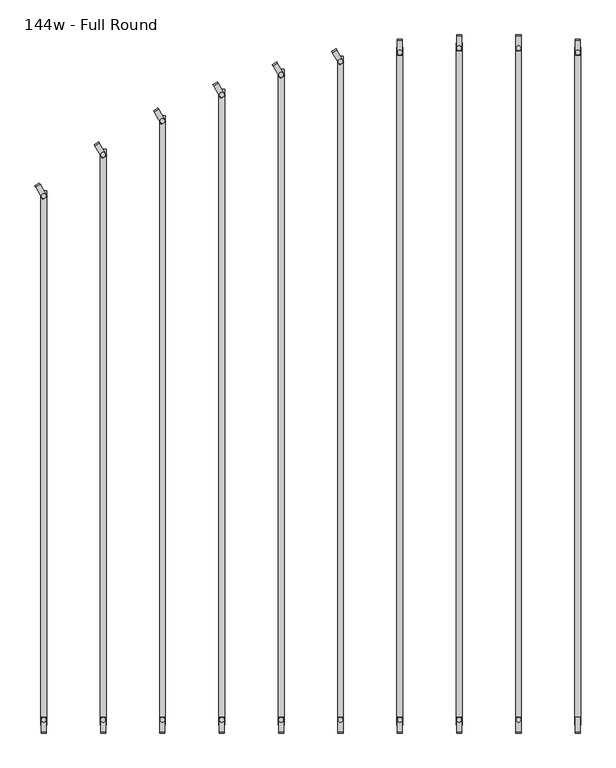
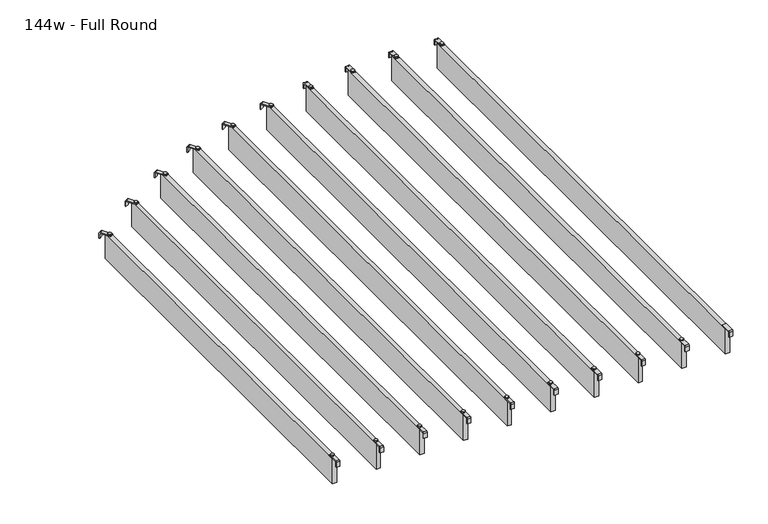
"""IFC4 building model written with IfcOpenShell, lengths in millimetres: furniture geometry, 144w - Full Round."""

import ifcopenshell
import ifcopenshell.guid

model = None  # the IFC model being written
_history = None  # IfcOwnerHistory: only IFC2X3 demands one
_inside = {}  # id of a spatial element -> (the spatial element, [elements in it])
_under = {}  # id of a project, library or spatial element -> (it, [spatial elements below it])
_declared = {}  # id of a project -> (the project, [libraries it declares])
_typed = {}  # id of a type object -> (the type object, [elements of that type])
_made_of = {}  # id of a material, layer set ... -> (it, [elements and type objects made of it])


def new_model(schema):
    """Start an empty IFC model of exactly this schema.

    Asked for "IFC4X3", IfcOpenShell would pick the latest addendum, in which some entities
    have other attributes; the version numbers below select the first issue.
    IFC2X3 requires an IfcOwnerHistory on every rooted entity: one is made here for all.
    """
    global model, _history
    if schema == "IFC4X3":
        model = ifcopenshell.file(schema_version=(4, 3, 0, 0))
    else:
        model = ifcopenshell.file(schema=schema)
    _inside.clear()
    _under.clear()
    _declared.clear()
    _typed.clear()
    _made_of.clear()
    _history = None
    if model.schema == "IFC2X3":
        org = make("IfcOrganization", Name="unknown")
        user = make(
            "IfcPersonAndOrganization",
            ThePerson=make("IfcPerson", FamilyName="unknown"),
            TheOrganization=org,
        )
        app = make(
            "IfcApplication",
            ApplicationDeveloper=org,
            Version="unknown",
            ApplicationFullName="unknown",
            ApplicationIdentifier="unknown",
        )
        _history = make(
            "IfcOwnerHistory",
            OwningUser=user,
            OwningApplication=app,
            ChangeAction="ADDED",
            CreationDate=0,
        )
    return model


def make(cls, **values):
    """One entity of the class cls with the attributes given. An attribute that is None is left unset."""
    return model.create_entity(
        cls, **{name: value for name, value in values.items() if value is not None}
    )


def rooted(cls, **values):
    """An entity with a GlobalId (a new one), such as an element, a storey or a relation."""
    return make(cls, GlobalId=ifcopenshell.guid.new(), OwnerHistory=_history, **values)


def si_unit(unit_type, name, prefix=None):
    """IfcSIUnit, for example si_unit("LENGTHUNIT", "METRE", prefix="MILLI")."""
    return make("IfcSIUnit", UnitType=unit_type, Prefix=prefix, Name=name)


def assignment(units):
    """IfcUnitAssignment: the units of a project."""
    return None if units is None else make("IfcUnitAssignment", Units=units)


def point(xyz):
    """IfcCartesianPoint."""
    return None if xyz is None else make("IfcCartesianPoint", Coordinates=xyz)


def direction(xyz):
    """IfcDirection."""
    return None if xyz is None else make("IfcDirection", DirectionRatios=xyz)


def frame(location, z_axis=None, x_axis=None):
    """IfcAxis2Placement3D, a coordinate frame: its origin and axes. An axis left out is left unset."""
    return make(
        "IfcAxis2Placement3D",
        Location=point(location),
        Axis=direction(z_axis),
        RefDirection=direction(x_axis),
    )


def frame_2d(location, x_axis=None):
    """IfcAxis2Placement2D, a coordinate frame in the plane: its origin and x axis."""
    return make(
        "IfcAxis2Placement2D", Location=point(location), RefDirection=direction(x_axis)
    )


def origin():
    """The frame at (0, 0, 0) with its axes left unset."""
    return frame((0.0, 0.0, 0.0))


def place(relative_to, where):
    """IfcLocalPlacement: puts the frame where relative to a parent placement (None: the world)."""
    return make(
        "IfcLocalPlacement", PlacementRelTo=relative_to, RelativePlacement=where
    )


def context(
    kind, dimensions, precision=None, world=None, true_north=None, identifier=None
):
    """IfcGeometricRepresentationContext, for example the 3D "Model" context."""
    return make(
        "IfcGeometricRepresentationContext",
        ContextIdentifier=identifier,
        ContextType=kind,
        CoordinateSpaceDimension=dimensions,
        Precision=precision,
        WorldCoordinateSystem=world,
        TrueNorth=true_north,
    )


def project(units=None, contexts=None):
    """IfcProject with its units and contexts."""
    return rooted(
        "IfcProject",
        Name="project",
        RepresentationContexts=contexts,
        UnitsInContext=assignment(units),
    )


def spatial(cls, under=None, at=None, **own):
    """A site, building, storey or space (cls), placed at a placement, below another one or the project."""
    s = rooted(cls, ObjectPlacement=at, **own)
    if under is not None:
        _under.setdefault(under.id(), (under, []))[1].append(s)
    return s


def polyline(points):
    """IfcPolyline through the points."""
    return make("IfcPolyline", Points=[point(p) for p in points])


def circle_curve(where, radius):
    """IfcCircle in the frame where."""
    return make("IfcCircle", Position=where, Radius=radius)


def trimmed(basis, trim1, trim2, sense, master):
    """IfcTrimmedCurve: the piece of a basis curve between two trims."""
    return make(
        "IfcTrimmedCurve",
        BasisCurve=basis,
        Trim1=trim1,
        Trim2=trim2,
        SenseAgreement=sense,
        MasterRepresentation=master,
    )


def segment(curve, same_sense, transition):
    """IfcCompositeCurveSegment."""
    return make(
        "IfcCompositeCurveSegment",
        Transition=transition,
        SameSense=same_sense,
        ParentCurve=curve,
    )


def composite_curve(segments, self_intersect=None):
    """IfcCompositeCurve: segments joined end to end."""
    return make("IfcCompositeCurve", Segments=segments, SelfIntersect=self_intersect)


def outline(outer, holes=None, kind="AREA"):
    """IfcArbitraryClosedProfileDef: a profile drawn as a closed curve; with holes, ...WithVoids."""
    if holes is None:
        return make("IfcArbitraryClosedProfileDef", ProfileType=kind, OuterCurve=outer)
    return make(
        "IfcArbitraryProfileDefWithVoids",
        ProfileType=kind,
        OuterCurve=outer,
        InnerCurves=holes,
    )


def extrude(swept, where, along, depth):
    """IfcExtrudedAreaSolid: the profile swept, set in the frame where, extruded along a direction by depth."""
    return make(
        "IfcExtrudedAreaSolid",
        SweptArea=swept,
        Position=where,
        ExtrudedDirection=direction(along),
        Depth=depth,
    )


def shape(context_of_items, identifier, shape_type, items):
    """IfcShapeRepresentation: the items that make up one representation, for example the "Body"."""
    return make(
        "IfcShapeRepresentation",
        ContextOfItems=context_of_items,
        RepresentationIdentifier=identifier,
        RepresentationType=shape_type,
        Items=items,
    )


def source(mapping_origin, context_of_items, identifier, shape_type, items):
    """IfcRepresentationMap: a shape defined once, which mapped items show again and again."""
    return make(
        "IfcRepresentationMap",
        MappingOrigin=mapping_origin,
        MappedRepresentation=shape(context_of_items, identifier, shape_type, items),
    )


def transform(
    local_origin,
    x_axis=None,
    y_axis=None,
    z_axis=None,
    scale=None,
    scale2=None,
    scale3=None,
    uniform=True,
):
    """IfcCartesianTransformationOperator3D, or its non-uniform kind. x_axis, y_axis, z_axis: its Axis1, 2, 3."""
    if uniform:
        return make(
            "IfcCartesianTransformationOperator3D",
            Axis1=direction(x_axis),
            Axis2=direction(y_axis),
            LocalOrigin=point(local_origin),
            Scale=scale,
            Axis3=direction(z_axis),
        )
    return make(
        "IfcCartesianTransformationOperator3DnonUniform",
        Axis1=direction(x_axis),
        Axis2=direction(y_axis),
        LocalOrigin=point(local_origin),
        Scale=scale,
        Axis3=direction(z_axis),
        Scale2=scale2,
        Scale3=scale3,
    )


def mapped(mapping_source, mapping_target):
    """IfcMappedItem: shows the shape of a source again, moved by a transform."""
    return make(
        "IfcMappedItem", MappingSource=mapping_source, MappingTarget=mapping_target
    )


def made_of(thing, what):
    """Note that an element or type object is made of a material, layer set ...; save() writes the relation."""
    if what is not None:
        _made_of.setdefault(what.id(), (what, []))[1].append(thing)
    return thing


def element(
    cls,
    number,
    at=None,
    inside=None,
    cuts=None,
    type_object=None,
    material=None,
    context=None,
    identifier="Body",
    shape_type=None,
    held_by="IfcProductDefinitionShape",
    body=None,
    shapes=None,
    **own,
):
    """One element of the class cls, such as IfcWall. Its Tag is "e" and its number.

    at: its placement. inside: the storey or other place that contains it. cuts: it is an
    opening in that element (IfcRelVoidsElement). A single representation is given by context,
    identifier, shape_type and body (its items); several are given by shapes. held_by: the class
    of the entity that holds the representations. save() writes the other relations.
    """
    e = rooted(cls, Tag="e%d" % number, ObjectPlacement=at, **own)
    if body is not None:
        shapes = [shape(context, identifier, shape_type, body)]
    if shapes is not None:
        e.Representation = make(held_by, Representations=shapes)
    if inside is not None:
        _inside.setdefault(inside.id(), (inside, []))[1].append(e)
    if cuts is not None:
        rooted(
            "IfcRelVoidsElement", RelatingBuildingElement=cuts, RelatedOpeningElement=e
        )
    if type_object is not None:
        _typed.setdefault(type_object.id(), (type_object, []))[1].append(e)
    return made_of(e, material)


def aggregate(whole, parts):
    """IfcRelAggregates: a whole, such as a stair, and the parts it consists of."""
    return rooted("IfcRelAggregates", RelatingObject=whole, RelatedObjects=parts)


def save(model, path):
    """Write the relations noted so far, then the file.

    IfcRelAggregates (storeys below a building ...), IfcRelContainedInSpatialStructure (elements
    in a storey), IfcRelDefinesByType, IfcRelAssociatesMaterial and IfcRelDeclares: one each for
    every whole, place, type object, material and project.
    """
    for whole, parts in _under.values():
        aggregate(whole, parts)
    for where, things in _inside.values():
        rooted(
            "IfcRelContainedInSpatialStructure",
            RelatedElements=things,
            RelatingStructure=where,
        )
    for kind, things in _typed.values():
        rooted("IfcRelDefinesByType", RelatedObjects=things, RelatingType=kind)
    for what, things in _made_of.values():
        rooted("IfcRelAssociatesMaterial", RelatedObjects=things, RelatingMaterial=what)
    for by, libraries in _declared.values():
        rooted("IfcRelDeclares", RelatingContext=by, RelatedDefinitions=libraries)
    model.write(path)


def furniture_144w_full_round_390d80ab(model_context):
    return source(origin(), model_context, "Body", "SweptSolid", [
        extrude(outline(composite_curve([segment(trimmed(circle_curve(frame_2d((266.7, -505.3424)), 5.9838099), [point((266.7, -511.3262099))], [point((266.7, -499.3585901))], False, "CARTESIAN"), True, "CONTINUOUS"), segment(trimmed(circle_curve(frame_2d((266.7, -505.3424)), 5.9838099), [point((266.7, -499.3585901))], [point((266.7, -511.3262099))], False, "CARTESIAN"), True, "CONTINUOUS")], self_intersect=False)), frame((0.0, 0.0, 2440.9329992), z_axis=(0.0, 0.0, 1.0), x_axis=(1.0, 0.0, 0.0)), (0.0, 0.0, 1.0), 3.4400008),
        extrude(outline(composite_curve([segment(polyline([(-2253.0946, 2419.2231711), (-2253.0946, 2437.2499992)]), True, "CONTINUOUS"), segment(trimmed(circle_curve(frame_2d((-2249.4116, 2437.2499992)), 3.683), [point((-2253.0946, 2437.2499992))], [point((-2249.4116, 2440.9329992))], False, "CARTESIAN"), True, "CONTINUOUS"), segment(polyline([(-2249.4116, 2440.9329992), (-2212.4346, 2440.9329992), (-2212.4346, 2438.2729997), (-2249.4251568, 2438.2729997)]), True, "CONTINUOUS"), segment(trimmed(circle_curve(frame_2d((-2249.4251568, 2437.2635571)), 1.0094425), [point((-2249.4251568, 2438.2729997))], [point((-2250.4345993, 2437.2635571))], True, "CARTESIAN"), True, "CONTINUOUS"), segment(polyline([(-2250.4345993, 2437.2635571), (-2250.4345993, 2419.2231711), (-2253.0946, 2419.2231711)]), True, "CONTINUOUS")], self_intersect=False)), frame((260.2069997, 0.0, 0.0), z_axis=(1.0, 0.0, 0.0), x_axis=(0.0, 1.0, 0.0)), (0.0, 0.0, 1.0), 13.0),
        extrude(outline(composite_curve([segment(polyline([(-471.1824, 2419.2231711), (-473.8424007, 2419.2231711), (-473.8424007, 2437.2635571)]), True, "CONTINUOUS"), segment(trimmed(circle_curve(frame_2d((-474.8518432, 2437.2635571)), 1.0094425), [point((-473.8424007, 2437.2635571))], [point((-474.8518432, 2438.2729997))], True, "CARTESIAN"), True, "CONTINUOUS"), segment(polyline([(-474.8518432, 2438.2729997), (-511.8424, 2438.2729997), (-511.8424, 2440.9329992), (-474.8654, 2440.9329992)]), True, "CONTINUOUS"), segment(trimmed(circle_curve(frame_2d((-474.8654, 2437.2499992)), 3.683), [point((-474.8654, 2440.9329992))], [point((-471.1824, 2437.2499992))], False, "CARTESIAN"), True, "CONTINUOUS"), segment(polyline([(-471.1824, 2437.2499992), (-471.1824, 2419.2231711)]), True, "CONTINUOUS")], self_intersect=False)), frame((260.2069997, 0.0, 0.0), z_axis=(1.0, 0.0, 0.0), x_axis=(0.0, 1.0, 0.0)), (0.0, 0.0, 1.0), 13.0),
        extrude(outline(polyline([(259.207, -491.6424), (274.193, -491.6424), (274.193, -2232.6346), (259.207, -2232.6346), (259.207, -491.6424)])), frame((0.0, 0.0, 2346.198), z_axis=(0.0, 0.0, 1.0), x_axis=(1.0, 0.0, 0.0)), (0.0, 0.0, 1.0), 92.202),
        extrude(outline(composite_curve([segment(trimmed(circle_curve(frame_2d((114.3, -2218.9346)), 5.9838099), [point((114.3, -2212.9507901))], [point((114.3, -2224.9184099))], False, "CARTESIAN"), True, "CONTINUOUS"), segment(trimmed(circle_curve(frame_2d((114.3, -2218.9346)), 5.9838099), [point((114.3, -2224.9184099))], [point((114.3, -2212.9507901))], False, "CARTESIAN"), True, "CONTINUOUS")], self_intersect=False)), frame((0.0, 0.0, 2440.9329992), z_axis=(0.0, 0.0, 1.0), x_axis=(1.0, 0.0, 0.0)), (0.0, 0.0, 1.0), 3.4400008),
        extrude(outline(composite_curve([segment(trimmed(circle_curve(frame_2d((114.3, -494.3442)), 5.9838099), [point((114.3, -500.3280099))], [point((114.3, -488.3603901))], False, "CARTESIAN"), True, "CONTINUOUS"), segment(trimmed(circle_curve(frame_2d((114.3, -494.3442)), 5.9838099), [point((114.3, -488.3603901))], [point((114.3, -500.3280099))], False, "CARTESIAN"), True, "CONTINUOUS")], self_intersect=False)), frame((0.0, 0.0, 2440.9329992), z_axis=(0.0, 0.0, 1.0), x_axis=(1.0, 0.0, 0.0)), (0.0, 0.0, 1.0), 3.4400008),
        extrude(outline(composite_curve([segment(polyline([(-2253.0946, 2419.2231711), (-2253.0946, 2437.2499992)]), True, "CONTINUOUS"), segment(trimmed(circle_curve(frame_2d((-2249.4116, 2437.2499992)), 3.683), [point((-2253.0946, 2437.2499992))], [point((-2249.4116, 2440.9329992))], False, "CARTESIAN"), True, "CONTINUOUS"), segment(polyline([(-2249.4116, 2440.9329992), (-2212.4346, 2440.9329992), (-2212.4346, 2438.2729997), (-2249.4251568, 2438.2729997)]), True, "CONTINUOUS"), segment(trimmed(circle_curve(frame_2d((-2249.4251568, 2437.2635571)), 1.0094425), [point((-2249.4251568, 2438.2729997))], [point((-2250.4345993, 2437.2635571))], True, "CARTESIAN"), True, "CONTINUOUS"), segment(polyline([(-2250.4345993, 2437.2635571), (-2250.4345993, 2419.2231711), (-2253.0946, 2419.2231711)]), True, "CONTINUOUS")], self_intersect=False)), frame((107.8069997, 0.0, 0.0), z_axis=(1.0, 0.0, 0.0), x_axis=(0.0, 1.0, 0.0)), (0.0, 0.0, 1.0), 13.0),
        extrude(outline(composite_curve([segment(polyline([(-460.1842, 2419.2231711), (-462.8442007, 2419.2231711), (-462.8442007, 2437.2635571)]), True, "CONTINUOUS"), segment(trimmed(circle_curve(frame_2d((-463.8536432, 2437.2635571)), 1.0094425), [point((-462.8442007, 2437.2635571))], [point((-463.8536432, 2438.2729997))], True, "CARTESIAN"), True, "CONTINUOUS"), segment(polyline([(-463.8536432, 2438.2729997), (-500.8442, 2438.2729997), (-500.8442, 2440.9329992), (-463.8672, 2440.9329992)]), True, "CONTINUOUS"), segment(trimmed(circle_curve(frame_2d((-463.8672, 2437.2499992)), 3.683), [point((-463.8672, 2440.9329992))], [point((-460.1842, 2437.2499992))], False, "CARTESIAN"), True, "CONTINUOUS"), segment(polyline([(-460.1842, 2437.2499992), (-460.1842, 2419.2231711)]), True, "CONTINUOUS")], self_intersect=False)), frame((107.8069997, 0.0, 0.0), z_axis=(1.0, 0.0, 0.0), x_axis=(0.0, 1.0, 0.0)), (0.0, 0.0, 1.0), 13.0),
        extrude(outline(polyline([(106.807, -480.6442), (121.793, -480.6442), (121.793, -2232.6346), (106.807, -2232.6346), (106.807, -480.6442)])), frame((0.0, 0.0, 2346.198), z_axis=(0.0, 0.0, 1.0), x_axis=(1.0, 0.0, 0.0)), (0.0, 0.0, 1.0), 92.202),
        extrude(outline(composite_curve([segment(trimmed(circle_curve(frame_2d((-38.1, -2218.9346)), 5.9838099), [point((-38.1, -2212.9507901))], [point((-38.1, -2224.9184099))], False, "CARTESIAN"), True, "CONTINUOUS"), segment(trimmed(circle_curve(frame_2d((-38.1, -2218.9346)), 5.9838099), [point((-38.1, -2224.9184099))], [point((-38.1, -2212.9507901))], False, "CARTESIAN"), True, "CONTINUOUS")], self_intersect=False)), frame((0.0, 0.0, 2440.9329992), z_axis=(0.0, 0.0, 1.0), x_axis=(1.0, 0.0, 0.0)), (0.0, 0.0, 1.0), 3.4400008),
        extrude(outline(composite_curve([segment(trimmed(circle_curve(frame_2d((-38.1, -494.3442)), 5.9838099), [point((-38.1, -500.3280099))], [point((-38.1, -488.3603901))], False, "CARTESIAN"), True, "CONTINUOUS"), segment(trimmed(circle_curve(frame_2d((-38.1, -494.3442)), 5.9838099), [point((-38.1, -488.3603901))], [point((-38.1, -500.3280099))], False, "CARTESIAN"), True, "CONTINUOUS")], self_intersect=False)), frame((0.0, 0.0, 2440.9329992), z_axis=(0.0, 0.0, 1.0), x_axis=(1.0, 0.0, 0.0)), (0.0, 0.0, 1.0), 3.4400008),
        extrude(outline(composite_curve([segment(polyline([(-2253.0946, 2419.2231711), (-2253.0946, 2437.2499992)]), True, "CONTINUOUS"), segment(trimmed(circle_curve(frame_2d((-2249.4116, 2437.2499992)), 3.683), [point((-2253.0946, 2437.2499992))], [point((-2249.4116, 2440.9329992))], False, "CARTESIAN"), True, "CONTINUOUS"), segment(polyline([(-2249.4116, 2440.9329992), (-2212.4346, 2440.9329992), (-2212.4346, 2438.2729997), (-2249.4251568, 2438.2729997)]), True, "CONTINUOUS"), segment(trimmed(circle_curve(frame_2d((-2249.4251568, 2437.2635571)), 1.0094425), [point((-2249.4251568, 2438.2729997))], [point((-2250.4345993, 2437.2635571))], True, "CARTESIAN"), True, "CONTINUOUS"), segment(polyline([(-2250.4345993, 2437.2635571), (-2250.4345993, 2419.2231711), (-2253.0946, 2419.2231711)]), True, "CONTINUOUS")], self_intersect=False)), frame((-44.5930003, 0.0, 0.0), z_axis=(1.0, 0.0, 0.0), x_axis=(0.0, 1.0, 0.0)), (0.0, 0.0, 1.0), 13.0),
        extrude(outline(composite_curve([segment(polyline([(-460.1842, 2419.2231711), (-462.8442007, 2419.2231711), (-462.8442007, 2437.2635571)]), True, "CONTINUOUS"), segment(trimmed(circle_curve(frame_2d((-463.8536432, 2437.2635571)), 1.0094425), [point((-462.8442007, 2437.2635571))], [point((-463.8536432, 2438.2729997))], True, "CARTESIAN"), True, "CONTINUOUS"), segment(polyline([(-463.8536432, 2438.2729997), (-500.8442, 2438.2729997), (-500.8442, 2440.9329992), (-463.8672, 2440.9329992)]), True, "CONTINUOUS"), segment(trimmed(circle_curve(frame_2d((-463.8672, 2437.2499992)), 3.683), [point((-463.8672, 2440.9329992))], [point((-460.1842, 2437.2499992))], False, "CARTESIAN"), True, "CONTINUOUS"), segment(polyline([(-460.1842, 2437.2499992), (-460.1842, 2419.2231711)]), True, "CONTINUOUS")], self_intersect=False)), frame((-44.5930003, 0.0, 0.0), z_axis=(1.0, 0.0, 0.0), x_axis=(0.0, 1.0, 0.0)), (0.0, 0.0, 1.0), 13.0),
        extrude(outline(polyline([(-45.593, -480.6442), (-30.607, -480.6442), (-30.607, -2232.6346), (-45.593, -2232.6346), (-45.593, -480.6442)])), frame((0.0, 0.0, 2346.198), z_axis=(0.0, 0.0, 1.0), x_axis=(1.0, 0.0, 0.0)), (0.0, 0.0, 1.0), 92.202),
        extrude(outline(composite_curve([segment(trimmed(circle_curve(frame_2d((-190.5, -2218.9346)), 5.9838099), [point((-190.5, -2212.9507901))], [point((-190.5, -2224.9184099))], False, "CARTESIAN"), True, "CONTINUOUS"), segment(trimmed(circle_curve(frame_2d((-190.5, -2218.9346)), 5.9838099), [point((-190.5, -2224.9184099))], [point((-190.5, -2212.9507901))], False, "CARTESIAN"), True, "CONTINUOUS")], self_intersect=False)), frame((0.0, 0.0, 2440.9329992), z_axis=(0.0, 0.0, 1.0), x_axis=(1.0, 0.0, 0.0)), (0.0, 0.0, 1.0), 3.4400008),
        extrude(outline(composite_curve([segment(trimmed(circle_curve(frame_2d((-190.5, -505.3424)), 5.9838099), [point((-190.5, -511.3262099))], [point((-190.5, -499.3585901))], False, "CARTESIAN"), True, "CONTINUOUS"), segment(trimmed(circle_curve(frame_2d((-190.5, -505.3424)), 5.9838099), [point((-190.5, -499.3585901))], [point((-190.5, -511.3262099))], False, "CARTESIAN"), True, "CONTINUOUS")], self_intersect=False)), frame((0.0, 0.0, 2440.9329992), z_axis=(0.0, 0.0, 1.0), x_axis=(1.0, 0.0, 0.0)), (0.0, 0.0, 1.0), 3.4400008),
        extrude(outline(composite_curve([segment(polyline([(-2253.0946, 2419.2231711), (-2253.0946, 2437.2499992)]), True, "CONTINUOUS"), segment(trimmed(circle_curve(frame_2d((-2249.4116, 2437.2499992)), 3.683), [point((-2253.0946, 2437.2499992))], [point((-2249.4116, 2440.9329992))], False, "CARTESIAN"), True, "CONTINUOUS"), segment(polyline([(-2249.4116, 2440.9329992), (-2212.4346, 2440.9329992), (-2212.4346, 2438.2729997), (-2249.4251568, 2438.2729997)]), True, "CONTINUOUS"), segment(trimmed(circle_curve(frame_2d((-2249.4251568, 2437.2635571)), 1.0094425), [point((-2249.4251568, 2438.2729997))], [point((-2250.4345993, 2437.2635571))], True, "CARTESIAN"), True, "CONTINUOUS"), segment(polyline([(-2250.4345993, 2437.2635571), (-2250.4345993, 2419.2231711), (-2253.0946, 2419.2231711)]), True, "CONTINUOUS")], self_intersect=False)), frame((-196.9930003, 0.0, 0.0), z_axis=(1.0, 0.0, 0.0), x_axis=(0.0, 1.0, 0.0)), (0.0, 0.0, 1.0), 13.0),
        extrude(outline(composite_curve([segment(polyline([(-471.1824, 2419.2231711), (-473.8424007, 2419.2231711), (-473.8424007, 2437.2635571)]), True, "CONTINUOUS"), segment(trimmed(circle_curve(frame_2d((-474.8518432, 2437.2635571)), 1.0094425), [point((-473.8424007, 2437.2635571))], [point((-474.8518432, 2438.2729997))], True, "CARTESIAN"), True, "CONTINUOUS"), segment(polyline([(-474.8518432, 2438.2729997), (-511.8424, 2438.2729997), (-511.8424, 2440.9329992), (-474.8654, 2440.9329992)]), True, "CONTINUOUS"), segment(trimmed(circle_curve(frame_2d((-474.8654, 2437.2499992)), 3.683), [point((-474.8654, 2440.9329992))], [point((-471.1824, 2437.2499992))], False, "CARTESIAN"), True, "CONTINUOUS"), segment(polyline([(-471.1824, 2437.2499992), (-471.1824, 2419.2231711)]), True, "CONTINUOUS")], self_intersect=False)), frame((-196.9930003, 0.0, 0.0), z_axis=(1.0, 0.0, 0.0), x_axis=(0.0, 1.0, 0.0)), (0.0, 0.0, 1.0), 13.0),
        extrude(outline(polyline([(-197.993, -491.6424), (-183.007, -491.6424), (-183.007, -2232.6346), (-197.993, -2232.6346), (-197.993, -491.6424)])), frame((0.0, 0.0, 2346.198), z_axis=(0.0, 0.0, 1.0), x_axis=(1.0, 0.0, 0.0)), (0.0, 0.0, 1.0), 92.202),
        extrude(outline(composite_curve([segment(trimmed(circle_curve(frame_2d((-1.0160034, 0.0159996)), 1.016), [point((-1.0160034, -1.0000004))], [point((-3.4e-06, 0.0159996))], True, "CARTESIAN"), True, "CONTINUOUS"), segment(polyline([(-3.4e-06, 0.0159996), (-3.4e-06, 36.7785168), (2.5329992, 36.7785168), (2.5329992, 0.022999)]), True, "CONTINUOUS"), segment(trimmed(circle_curve(frame_2d((-1.1500008, 0.022999)), 3.683), [point((2.5329992, 0.022999))], [point((-1.1500008, -3.660001))], False, "CARTESIAN"), True, "CONTINUOUS"), segment(polyline([(-1.1500008, -3.660001), (-19.0498319, -3.660001), (-19.0498319, -1.0000004), (-1.0160034, -1.0000004)]), True, "CONTINUOUS")], self_intersect=False)), frame((-363.7791648, -505.5720262, 2438.4), z_axis=(0.8660254037843667, 0.5000000000001248, 0.0), x_axis=(0.0, 0.0, 1.0)), (0.0, 0.0, 1.0), 13.0000002),
        extrude(outline(composite_curve([segment(trimmed(circle_curve(frame_2d((-342.9, -2218.9346)), 5.9838099), [point((-342.9, -2212.9507901))], [point((-342.9, -2224.9184099))], False, "CARTESIAN"), True, "CONTINUOUS"), segment(trimmed(circle_curve(frame_2d((-342.9, -2218.9346)), 5.9838099), [point((-342.9, -2224.9184099))], [point((-342.9, -2212.9507901))], False, "CARTESIAN"), True, "CONTINUOUS")], self_intersect=False)), frame((0.0, 0.0, 2440.9329992), z_axis=(0.0, 0.0, 1.0), x_axis=(1.0, 0.0, 0.0)), (0.0, 0.0, 1.0), 3.4400008),
        extrude(outline(composite_curve([segment(trimmed(circle_curve(frame_2d((-342.9, -528.7358)), 5.9838099), [point((-342.9, -534.7196099))], [point((-342.9, -522.7519901))], False, "CARTESIAN"), True, "CONTINUOUS"), segment(trimmed(circle_curve(frame_2d((-342.9, -528.7358)), 5.9838099), [point((-342.9, -522.7519901))], [point((-342.9, -534.7196099))], False, "CARTESIAN"), True, "CONTINUOUS")], self_intersect=False)), frame((0.0, 0.0, 2440.9329992), z_axis=(0.0, 0.0, 1.0), x_axis=(1.0, 0.0, 0.0)), (0.0, 0.0, 1.0), 3.4400008),
        extrude(outline(composite_curve([segment(polyline([(-2253.0946, 2419.2231711), (-2253.0946, 2437.2499992)]), True, "CONTINUOUS"), segment(trimmed(circle_curve(frame_2d((-2249.4116, 2437.2499992)), 3.683), [point((-2253.0946, 2437.2499992))], [point((-2249.4116, 2440.9329992))], False, "CARTESIAN"), True, "CONTINUOUS"), segment(polyline([(-2249.4116, 2440.9329992), (-2212.4346, 2440.9329992), (-2212.4346, 2438.2729997), (-2249.4251568, 2438.2729997)]), True, "CONTINUOUS"), segment(trimmed(circle_curve(frame_2d((-2249.4251568, 2437.2635571)), 1.0094425), [point((-2249.4251568, 2438.2729997))], [point((-2250.4345993, 2437.2635571))], True, "CARTESIAN"), True, "CONTINUOUS"), segment(polyline([(-2250.4345993, 2437.2635571), (-2250.4345993, 2419.2231711), (-2253.0946, 2419.2231711)]), True, "CONTINUOUS")], self_intersect=False)), frame((-349.3930003, 0.0, 0.0), z_axis=(1.0, 0.0, 0.0), x_axis=(0.0, 1.0, 0.0)), (0.0, 0.0, 1.0), 13.0),
        extrude(outline(polyline([(-350.393, -515.0358), (-335.407, -515.0358), (-335.407, -2232.6346), (-350.393, -2232.6346), (-350.393, -515.0358)])), frame((0.0, 0.0, 2346.198), z_axis=(0.0, 0.0, 1.0), x_axis=(1.0, 0.0, 0.0)), (0.0, 0.0, 1.0), 92.202),
        extrude(outline(composite_curve([segment(trimmed(circle_curve(frame_2d((-1.0160034, 0.0159996)), 1.016), [point((-1.0160034, -1.0000004))], [point((-3.4e-06, 0.0159996))], True, "CARTESIAN"), True, "CONTINUOUS"), segment(polyline([(-3.4e-06, 0.0159996), (-3.4e-06, 36.7785168), (2.5329992, 36.7785168), (2.5329992, 0.022999)]), True, "CONTINUOUS"), segment(trimmed(circle_curve(frame_2d((-1.1500008, 0.022999)), 3.683), [point((2.5329992, 0.022999))], [point((-1.1500008, -3.660001))], False, "CARTESIAN"), True, "CONTINUOUS"), segment(polyline([(-1.1500008, -3.660001), (-19.0498319, -3.660001), (-19.0498319, -1.0000004), (-1.0160034, -1.0000004)]), True, "CONTINUOUS")], self_intersect=False)), frame((-516.1791648, -539.4048262, 2438.4), z_axis=(0.8660254037843667, 0.5000000000001248, 0.0), x_axis=(0.0, 0.0, 1.0)), (0.0, 0.0, 1.0), 13.0000002),
        extrude(outline(composite_curve([segment(trimmed(circle_curve(frame_2d((-495.3, -2218.9346)), 5.9838099), [point((-495.3, -2212.9507901))], [point((-495.3, -2224.9184099))], False, "CARTESIAN"), True, "CONTINUOUS"), segment(trimmed(circle_curve(frame_2d((-495.3, -2218.9346)), 5.9838099), [point((-495.3, -2224.9184099))], [point((-495.3, -2212.9507901))], False, "CARTESIAN"), True, "CONTINUOUS")], self_intersect=False)), frame((0.0, 0.0, 2440.9329992), z_axis=(0.0, 0.0, 1.0), x_axis=(1.0, 0.0, 0.0)), (0.0, 0.0, 1.0), 3.4400008),
        extrude(outline(composite_curve([segment(trimmed(circle_curve(frame_2d((-495.3, -562.5686)), 5.9838099), [point((-495.3, -568.5524099))], [point((-495.3, -556.5847901))], False, "CARTESIAN"), True, "CONTINUOUS"), segment(trimmed(circle_curve(frame_2d((-495.3, -562.5686)), 5.9838099), [point((-495.3, -556.5847901))], [point((-495.3, -568.5524099))], False, "CARTESIAN"), True, "CONTINUOUS")], self_intersect=False)), frame((0.0, 0.0, 2440.9329992), z_axis=(0.0, 0.0, 1.0), x_axis=(1.0, 0.0, 0.0)), (0.0, 0.0, 1.0), 3.4400008),
        extrude(outline(composite_curve([segment(polyline([(-2253.0946, 2419.2231711), (-2253.0946, 2437.2499992)]), True, "CONTINUOUS"), segment(trimmed(circle_curve(frame_2d((-2249.4116, 2437.2499992)), 3.683), [point((-2253.0946, 2437.2499992))], [point((-2249.4116, 2440.9329992))], False, "CARTESIAN"), True, "CONTINUOUS"), segment(polyline([(-2249.4116, 2440.9329992), (-2212.4346, 2440.9329992), (-2212.4346, 2438.2729997), (-2249.4251568, 2438.2729997)]), True, "CONTINUOUS"), segment(trimmed(circle_curve(frame_2d((-2249.4251568, 2437.2635571)), 1.0094425), [point((-2249.4251568, 2438.2729997))], [point((-2250.4345993, 2437.2635571))], True, "CARTESIAN"), True, "CONTINUOUS"), segment(polyline([(-2250.4345993, 2437.2635571), (-2250.4345993, 2419.2231711), (-2253.0946, 2419.2231711)]), True, "CONTINUOUS")], self_intersect=False)), frame((-501.7930003, 0.0, 0.0), z_axis=(1.0, 0.0, 0.0), x_axis=(0.0, 1.0, 0.0)), (0.0, 0.0, 1.0), 13.0),
        extrude(outline(polyline([(-502.793, -548.8686), (-487.807, -548.8686), (-487.807, -2232.6346), (-502.793, -2232.6346), (-502.793, -548.8686)])), frame((0.0, 0.0, 2346.198), z_axis=(0.0, 0.0, 1.0), x_axis=(1.0, 0.0, 0.0)), (0.0, 0.0, 1.0), 92.202),
        extrude(outline(composite_curve([segment(trimmed(circle_curve(frame_2d((-1.0160034, 0.0159996)), 1.016), [point((-1.0160034, -1.0000004))], [point((-3.4e-06, 0.0159996))], True, "CARTESIAN"), True, "CONTINUOUS"), segment(polyline([(-3.4e-06, 0.0159996), (-3.4e-06, 36.7785168), (2.5329992, 36.7785168), (2.5329992, 0.022999)]), True, "CONTINUOUS"), segment(trimmed(circle_curve(frame_2d((-1.1500008, 0.022999)), 3.683), [point((2.5329992, 0.022999))], [point((-1.1500008, -3.660001))], False, "CARTESIAN"), True, "CONTINUOUS"), segment(polyline([(-1.1500008, -3.660001), (-19.0498319, -3.660001), (-19.0498319, -1.0000004), (-1.0160034, -1.0000004)]), True, "CONTINUOUS")], self_intersect=False)), frame((-668.5791648, -590.7890262, 2438.4), z_axis=(0.8660254037843667, 0.5000000000001248, 0.0), x_axis=(0.0, 0.0, 1.0)), (0.0, 0.0, 1.0), 13.0000002),
        extrude(outline(composite_curve([segment(trimmed(circle_curve(frame_2d((-647.7, -2218.9346)), 5.9838099), [point((-647.7, -2212.9507901))], [point((-647.7, -2224.9184099))], False, "CARTESIAN"), True, "CONTINUOUS"), segment(trimmed(circle_curve(frame_2d((-647.7, -2218.9346)), 5.9838099), [point((-647.7, -2224.9184099))], [point((-647.7, -2212.9507901))], False, "CARTESIAN"), True, "CONTINUOUS")], self_intersect=False)), frame((0.0, 0.0, 2440.9329992), z_axis=(0.0, 0.0, 1.0), x_axis=(1.0, 0.0, 0.0)), (0.0, 0.0, 1.0), 3.4400008),
        extrude(outline(composite_curve([segment(trimmed(circle_curve(frame_2d((-647.7, -613.9528)), 5.9838099), [point((-647.7, -619.9366099))], [point((-647.7, -607.9689901))], False, "CARTESIAN"), True, "CONTINUOUS"), segment(trimmed(circle_curve(frame_2d((-647.7, -613.9528)), 5.9838099), [point((-647.7, -607.9689901))], [point((-647.7, -619.9366099))], False, "CARTESIAN"), True, "CONTINUOUS")], self_intersect=False)), frame((0.0, 0.0, 2440.9329992), z_axis=(0.0, 0.0, 1.0), x_axis=(1.0, 0.0, 0.0)), (0.0, 0.0, 1.0), 3.4400008),
        extrude(outline(composite_curve([segment(polyline([(-2253.0946, 2419.2231711), (-2253.0946, 2437.2499992)]), True, "CONTINUOUS"), segment(trimmed(circle_curve(frame_2d((-2249.4116, 2437.2499992)), 3.683), [point((-2253.0946, 2437.2499992))], [point((-2249.4116, 2440.9329992))], False, "CARTESIAN"), True, "CONTINUOUS"), segment(polyline([(-2249.4116, 2440.9329992), (-2212.4346, 2440.9329992), (-2212.4346, 2438.2729997), (-2249.4251568, 2438.2729997)]), True, "CONTINUOUS"), segment(trimmed(circle_curve(frame_2d((-2249.4251568, 2437.2635571)), 1.0094425), [point((-2249.4251568, 2438.2729997))], [point((-2250.4345993, 2437.2635571))], True, "CARTESIAN"), True, "CONTINUOUS"), segment(polyline([(-2250.4345993, 2437.2635571), (-2250.4345993, 2419.2231711), (-2253.0946, 2419.2231711)]), True, "CONTINUOUS")], self_intersect=False)), frame((-654.1930003, 0.0, 0.0), z_axis=(1.0, 0.0, 0.0), x_axis=(0.0, 1.0, 0.0)), (0.0, 0.0, 1.0), 13.0),
        extrude(outline(polyline([(-655.193, -600.2528), (-640.207, -600.2528), (-640.207, -2232.6346), (-655.193, -2232.6346), (-655.193, -600.2528)])), frame((0.0, 0.0, 2346.198), z_axis=(0.0, 0.0, 1.0), x_axis=(1.0, 0.0, 0.0)), (0.0, 0.0, 1.0), 92.202),
        extrude(outline(composite_curve([segment(trimmed(circle_curve(frame_2d((-1.0160034, 0.0159996)), 1.016), [point((-1.0160034, -1.0000004))], [point((-3.4e-06, 0.0159996))], True, "CARTESIAN"), True, "CONTINUOUS"), segment(polyline([(-3.4e-06, 0.0159996), (-3.4e-06, 36.7785168), (2.5329992, 36.7785168), (2.5329992, 0.022999)]), True, "CONTINUOUS"), segment(trimmed(circle_curve(frame_2d((-1.1500008, 0.022999)), 3.683), [point((2.5329992, 0.022999))], [point((-1.1500008, -3.660001))], False, "CARTESIAN"), True, "CONTINUOUS"), segment(polyline([(-1.1500008, -3.660001), (-19.0498319, -3.660001), (-19.0498319, -1.0000004), (-1.0160034, -1.0000004)]), True, "CONTINUOUS")], self_intersect=False)), frame((-820.9791648, -657.9466262, 2438.4), z_axis=(0.8660254037843667, 0.5000000000001248, 0.0), x_axis=(0.0, 0.0, 1.0)), (0.0, 0.0, 1.0), 13.0000002),
        extrude(outline(composite_curve([segment(trimmed(circle_curve(frame_2d((-800.1, -2218.9346)), 5.9838099), [point((-800.1, -2212.9507901))], [point((-800.1, -2224.9184099))], False, "CARTESIAN"), True, "CONTINUOUS"), segment(trimmed(circle_curve(frame_2d((-800.1, -2218.9346)), 5.9838099), [point((-800.1, -2224.9184099))], [point((-800.1, -2212.9507901))], False, "CARTESIAN"), True, "CONTINUOUS")], self_intersect=False)), frame((0.0, 0.0, 2440.9329992), z_axis=(0.0, 0.0, 1.0), x_axis=(1.0, 0.0, 0.0)), (0.0, 0.0, 1.0), 3.4400008),
        extrude(outline(composite_curve([segment(trimmed(circle_curve(frame_2d((-800.1, -681.1104)), 5.9838099), [point((-800.1, -687.0942099))], [point((-800.1, -675.1265901))], False, "CARTESIAN"), True, "CONTINUOUS"), segment(trimmed(circle_curve(frame_2d((-800.1, -681.1104)), 5.9838099), [point((-800.1, -675.1265901))], [point((-800.1, -687.0942099))], False, "CARTESIAN"), True, "CONTINUOUS")], self_intersect=False)), frame((0.0, 0.0, 2440.9329992), z_axis=(0.0, 0.0, 1.0), x_axis=(1.0, 0.0, 0.0)), (0.0, 0.0, 1.0), 3.4400008),
        extrude(outline(composite_curve([segment(polyline([(-2253.0946, 2419.2231711), (-2253.0946, 2437.2499992)]), True, "CONTINUOUS"), segment(trimmed(circle_curve(frame_2d((-2249.4116, 2437.2499992)), 3.683), [point((-2253.0946, 2437.2499992))], [point((-2249.4116, 2440.9329992))], False, "CARTESIAN"), True, "CONTINUOUS"), segment(polyline([(-2249.4116, 2440.9329992), (-2212.4346, 2440.9329992), (-2212.4346, 2438.2729997), (-2249.4251568, 2438.2729997)]), True, "CONTINUOUS"), segment(trimmed(circle_curve(frame_2d((-2249.4251568, 2437.2635571)), 1.0094425), [point((-2249.4251568, 2438.2729997))], [point((-2250.4345993, 2437.2635571))], True, "CARTESIAN"), True, "CONTINUOUS"), segment(polyline([(-2250.4345993, 2437.2635571), (-2250.4345993, 2419.2231711), (-2253.0946, 2419.2231711)]), True, "CONTINUOUS")], self_intersect=False)), frame((-806.5930003, 0.0, 0.0), z_axis=(1.0, 0.0, 0.0), x_axis=(0.0, 1.0, 0.0)), (0.0, 0.0, 1.0), 13.0),
        extrude(outline(polyline([(-807.593, -667.4104), (-792.607, -667.4104), (-792.607, -2232.6346), (-807.593, -2232.6346), (-807.593, -667.4104)])), frame((0.0, 0.0, 2346.198), z_axis=(0.0, 0.0, 1.0), x_axis=(1.0, 0.0, 0.0)), (0.0, 0.0, 1.0), 92.202),
        extrude(outline(composite_curve([segment(trimmed(circle_curve(frame_2d((-1.0160034, 0.0159996)), 1.016), [point((-1.0160034, -1.0000004))], [point((-3.4e-06, 0.0159996))], True, "CARTESIAN"), True, "CONTINUOUS"), segment(polyline([(-3.4e-06, 0.0159996), (-3.4e-06, 36.7785168), (2.5329992, 36.7785168), (2.5329992, 0.022999)]), True, "CONTINUOUS"), segment(trimmed(circle_curve(frame_2d((-1.1500008, 0.022999)), 3.683), [point((2.5329992, 0.022999))], [point((-1.1500008, -3.660001))], False, "CARTESIAN"), True, "CONTINUOUS"), segment(polyline([(-1.1500008, -3.660001), (-19.0498319, -3.660001), (-19.0498319, -1.0000004), (-1.0160034, -1.0000004)]), True, "CONTINUOUS")], self_intersect=False)), frame((-973.3791648, -744.8400262, 2438.4), z_axis=(0.8660254037843667, 0.5000000000001248, 0.0), x_axis=(0.0, 0.0, 1.0)), (0.0, 0.0, 1.0), 13.0000002),
        extrude(outline(composite_curve([segment(trimmed(circle_curve(frame_2d((-952.5, -2218.9346)), 5.9838099), [point((-952.5, -2212.9507901))], [point((-952.5, -2224.9184099))], False, "CARTESIAN"), True, "CONTINUOUS"), segment(trimmed(circle_curve(frame_2d((-952.5, -2218.9346)), 5.9838099), [point((-952.5, -2224.9184099))], [point((-952.5, -2212.9507901))], False, "CARTESIAN"), True, "CONTINUOUS")], self_intersect=False)), frame((0.0, 0.0, 2440.9329992), z_axis=(0.0, 0.0, 1.0), x_axis=(1.0, 0.0, 0.0)), (0.0, 0.0, 1.0), 3.4400008),
        extrude(outline(composite_curve([segment(trimmed(circle_curve(frame_2d((-952.5, -768.0038)), 5.9838099), [point((-952.5, -773.9876099))], [point((-952.5, -762.0199901))], False, "CARTESIAN"), True, "CONTINUOUS"), segment(trimmed(circle_curve(frame_2d((-952.5, -768.0038)), 5.9838099), [point((-952.5, -762.0199901))], [point((-952.5, -773.9876099))], False, "CARTESIAN"), True, "CONTINUOUS")], self_intersect=False)), frame((0.0, 0.0, 2440.9329992), z_axis=(0.0, 0.0, 1.0), x_axis=(1.0, 0.0, 0.0)), (0.0, 0.0, 1.0), 3.4400008),
        extrude(outline(composite_curve([segment(polyline([(-2253.0946, 2419.2231711), (-2253.0946, 2437.2499992)]), True, "CONTINUOUS"), segment(trimmed(circle_curve(frame_2d((-2249.4116, 2437.2499992)), 3.683), [point((-2253.0946, 2437.2499992))], [point((-2249.4116, 2440.9329992))], False, "CARTESIAN"), True, "CONTINUOUS"), segment(polyline([(-2249.4116, 2440.9329992), (-2212.4346, 2440.9329992), (-2212.4346, 2438.2729997), (-2249.4251568, 2438.2729997)]), True, "CONTINUOUS"), segment(trimmed(circle_curve(frame_2d((-2249.4251568, 2437.2635571)), 1.0094425), [point((-2249.4251568, 2438.2729997))], [point((-2250.4345993, 2437.2635571))], True, "CARTESIAN"), True, "CONTINUOUS"), segment(polyline([(-2250.4345993, 2437.2635571), (-2250.4345993, 2419.2231711), (-2253.0946, 2419.2231711)]), True, "CONTINUOUS")], self_intersect=False)), frame((-958.9930003, 0.0, 0.0), z_axis=(1.0, 0.0, 0.0), x_axis=(0.0, 1.0, 0.0)), (0.0, 0.0, 1.0), 13.0),
        extrude(outline(polyline([(-959.993, -754.3038), (-945.007, -754.3038), (-945.007, -2232.6346), (-959.993, -2232.6346), (-959.993, -754.3038)])), frame((0.0, 0.0, 2346.198), z_axis=(0.0, 0.0, 1.0), x_axis=(1.0, 0.0, 0.0)), (0.0, 0.0, 1.0), 92.202),
        extrude(outline(composite_curve([segment(trimmed(circle_curve(frame_2d((-1.0160034, 0.0159996)), 1.016), [point((-1.0160034, -1.0000004))], [point((-3.4e-06, 0.0159996))], True, "CARTESIAN"), True, "CONTINUOUS"), segment(polyline([(-3.4e-06, 0.0159996), (-3.4e-06, 36.7785168), (2.5329992, 36.7785168), (2.5329992, 0.022999)]), True, "CONTINUOUS"), segment(trimmed(circle_curve(frame_2d((-1.1500008, 0.022999)), 3.683), [point((2.5329992, 0.022999))], [point((-1.1500008, -3.660001))], False, "CARTESIAN"), True, "CONTINUOUS"), segment(polyline([(-1.1500008, -3.660001), (-19.0498319, -3.660001), (-19.0498319, -1.0000004), (-1.0160034, -1.0000004)]), True, "CONTINUOUS")], self_intersect=False)), frame((-1125.7791648, -850.6564262, 2438.4), z_axis=(0.8660254037843667, 0.5000000000001248, 0.0), x_axis=(0.0, 0.0, 1.0)), (0.0, 0.0, 1.0), 13.0000002),
        extrude(outline(composite_curve([segment(trimmed(circle_curve(frame_2d((-1104.9, -2218.9346)), 5.9838099), [point((-1104.9, -2212.9507901))], [point((-1104.9, -2224.9184099))], False, "CARTESIAN"), True, "CONTINUOUS"), segment(trimmed(circle_curve(frame_2d((-1104.9, -2218.9346)), 5.9838099), [point((-1104.9, -2224.9184099))], [point((-1104.9, -2212.9507901))], False, "CARTESIAN"), True, "CONTINUOUS")], self_intersect=False)), frame((0.0, 0.0, 2440.9329992), z_axis=(0.0, 0.0, 1.0), x_axis=(1.0, 0.0, 0.0)), (0.0, 0.0, 1.0), 3.4400008),
        extrude(outline(composite_curve([segment(trimmed(circle_curve(frame_2d((-1104.9, -873.8202)), 5.9838099), [point((-1104.9, -879.8040099))], [point((-1104.9, -867.8363901))], False, "CARTESIAN"), True, "CONTINUOUS"), segment(trimmed(circle_curve(frame_2d((-1104.9, -873.8202)), 5.9838099), [point((-1104.9, -867.8363901))], [point((-1104.9, -879.8040099))], False, "CARTESIAN"), True, "CONTINUOUS")], self_intersect=False)), frame((0.0, 0.0, 2440.9329992), z_axis=(0.0, 0.0, 1.0), x_axis=(1.0, 0.0, 0.0)), (0.0, 0.0, 1.0), 3.4400008),
        extrude(outline(composite_curve([segment(polyline([(-2253.0946, 2419.2231711), (-2253.0946, 2437.2499992)]), True, "CONTINUOUS"), segment(trimmed(circle_curve(frame_2d((-2249.4116, 2437.2499992)), 3.683), [point((-2253.0946, 2437.2499992))], [point((-2249.4116, 2440.9329992))], False, "CARTESIAN"), True, "CONTINUOUS"), segment(polyline([(-2249.4116, 2440.9329992), (-2212.4346, 2440.9329992), (-2212.4346, 2438.2729997), (-2249.4251568, 2438.2729997)]), True, "CONTINUOUS"), segment(trimmed(circle_curve(frame_2d((-2249.4251568, 2437.2635571)), 1.0094425), [point((-2249.4251568, 2438.2729997))], [point((-2250.4345993, 2437.2635571))], True, "CARTESIAN"), True, "CONTINUOUS"), segment(polyline([(-2250.4345993, 2437.2635571), (-2250.4345993, 2419.2231711), (-2253.0946, 2419.2231711)]), True, "CONTINUOUS")], self_intersect=False)), frame((-1111.3930003, 0.0, 0.0), z_axis=(1.0, 0.0, 0.0), x_axis=(0.0, 1.0, 0.0)), (0.0, 0.0, 1.0), 13.0),
        extrude(outline(polyline([(-1112.393, -860.1202), (-1097.407, -860.1202), (-1097.407, -2232.6346), (-1112.393, -2232.6346), (-1112.393, -860.1202)])), frame((0.0, 0.0, 2346.198), z_axis=(0.0, 0.0, 1.0), x_axis=(1.0, 0.0, 0.0)), (0.0, 0.0, 1.0), 92.202),
    ])


if __name__ == "__main__":
    model = new_model("IFC4")
    model_context = context("Model", 3, world=origin())
    ifc_project = project(units=[si_unit("LENGTHUNIT", "METRE", prefix="MILLI")], contexts=[model_context])
    site = spatial("IfcSite", under=ifc_project)
    building = spatial("IfcBuilding", under=site)
    placement = place(None, origin())
    furniture_144w_full_round_shape = furniture_144w_full_round_390d80ab(model_context)
    element("IfcFurniture", 1, ObjectType="144w - Full Round", at=placement, inside=building, context=model_context, shape_type="MappedRepresentation", body=[
        mapped(furniture_144w_full_round_shape, transform((0.0, 0.0, 0.0), x_axis=(1.0, 0.0, 0.0), y_axis=(0.0, 1.0, 0.0), z_axis=(0.0, 0.0, 1.0))),
    ])
    save(model, "model.ifc")
